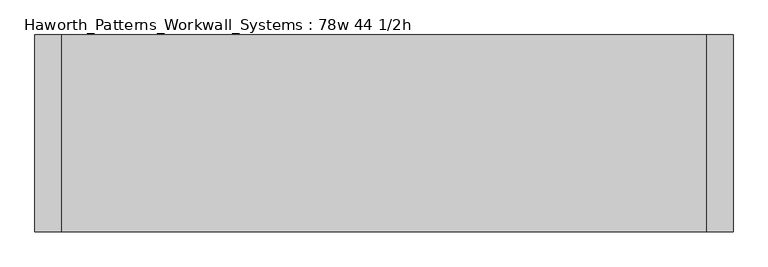
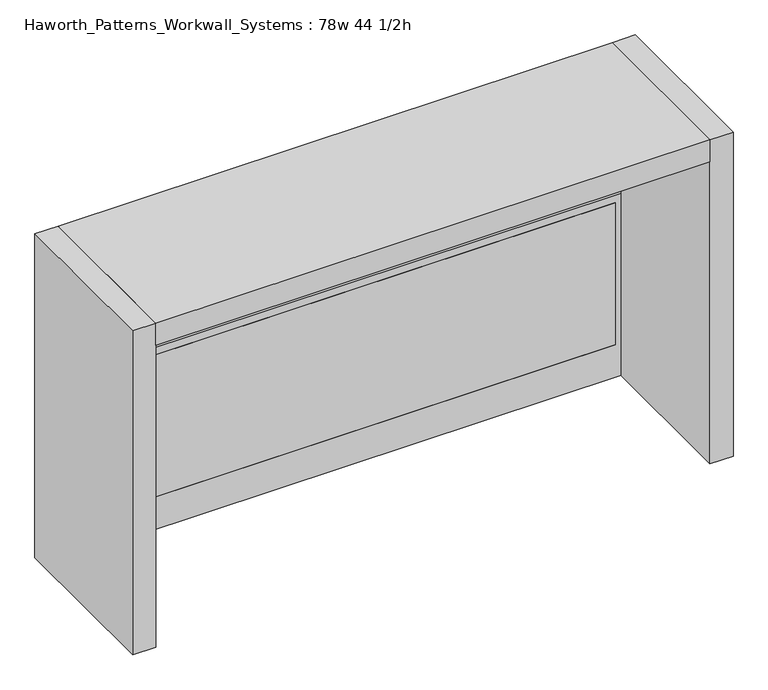
"""IFC4 building model written with IfcOpenShell, lengths in millimetres: furniture geometry, Haworth_Patterns_Workwall_Systems : 78w 44 1/2h."""

from ifc_helpers import new_model, si_unit, frame, origin, origin_with_axes, place, context, project, spatial, polyline, outline, extrude, source, transform, mapped, element, save


def haworth_patterns_workwall_systems_78w_44_1_2h_4505f858(model_context):
    return source(origin(), model_context, "Body", "SweptSolid", [
        extrude(outline(polyline([(1054.1, 304.8), (1054.1, -1524.0), (635.0, -1524.0), (635.0, 304.8), (1054.1, 304.8)]), holes=[polyline([(1035.05, 285.75), (654.05, 285.75), (654.05, -1504.95), (1035.05, -1504.95), (1035.05, 285.75)])]), frame((0.0, 330.2, 0.0), z_axis=(0.0, 1.0, 0.0), x_axis=(0.0, 0.0, 1.0)), (0.0, 0.0, 1.0), 25.4),
        extrude(outline(polyline([(285.75, 330.2), (-1504.95, 330.2), (-1504.95, 355.6), (285.75, 355.6), (285.75, 330.2)])), frame((0.0, 0.0, 114.3), z_axis=(0.0, 0.0, 1.0), x_axis=(1.0, 0.0, 0.0)), (0.0, 0.0, 1.0), 495.3),
        extrude(outline(polyline([(635.0, 304.8), (635.0, -1524.0), (0.0, -1524.0), (0.0, 304.8), (635.0, 304.8)]), holes=[polyline([(609.6, 285.75), (114.3, 285.75), (114.3, -1504.95), (609.6, -1504.95), (609.6, 285.75)])]), frame((0.0, 330.2, 0.0), z_axis=(0.0, 1.0, 0.0), x_axis=(0.0, 0.0, 1.0)), (0.0, 0.0, 1.0), 25.4),
        extrude(outline(polyline([(304.8, -177.8), (-1524.0, -177.8), (-1524.0, 381.0), (304.8, 381.0), (304.8, -177.8)])), frame((0.0, 0.0, 1054.1), z_axis=(0.0, 0.0, 1.0), x_axis=(1.0, 0.0, 0.0)), (0.0, 0.0, 1.0), 76.2),
        extrude(outline(polyline([(381.0, 381.0), (381.0, -177.8), (304.8, -177.8), (304.8, 381.0), (381.0, 381.0)])), origin_with_axes(), (0.0, 0.0, 1.0), 1130.3),
        extrude(outline(polyline([(-1524.0, 381.0), (-1524.0, -177.8), (-1600.2, -177.8), (-1600.2, 381.0), (-1524.0, 381.0)])), origin_with_axes(), (0.0, 0.0, 1.0), 1130.3),
    ])


if __name__ == "__main__":
    model = new_model("IFC4")
    model_context = context("Model", 3, world=origin())
    ifc_project = project(units=[si_unit("LENGTHUNIT", "METRE", prefix="MILLI")], contexts=[model_context])
    site = spatial("IfcSite", under=ifc_project)
    building = spatial("IfcBuilding", under=site)
    placement = place(None, origin())
    haworth_patterns_workwall_systems_78w_44_1_2h_shape = haworth_patterns_workwall_systems_78w_44_1_2h_4505f858(model_context)
    element("IfcFurniture", 1, ObjectType="Haworth_Patterns_Workwall_Systems : 78w 44 1/2h", at=placement, inside=building, context=model_context, shape_type="MappedRepresentation", body=[
        mapped(haworth_patterns_workwall_systems_78w_44_1_2h_shape, transform((0.0, 0.0, 0.0), x_axis=(1.0, 0.0, 0.0), y_axis=(0.0, 1.0, 0.0), z_axis=(0.0, 0.0, 1.0))),
    ])
    save(model, "model.ifc")
